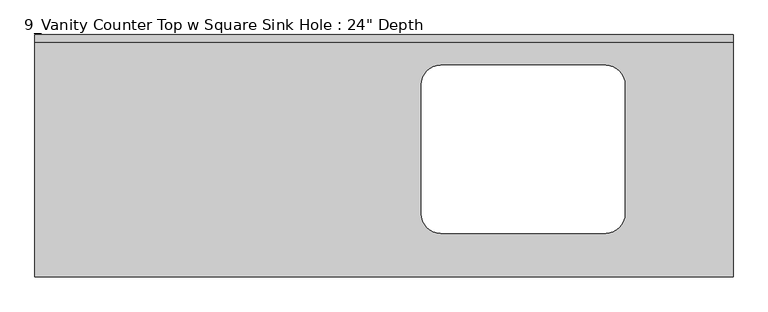
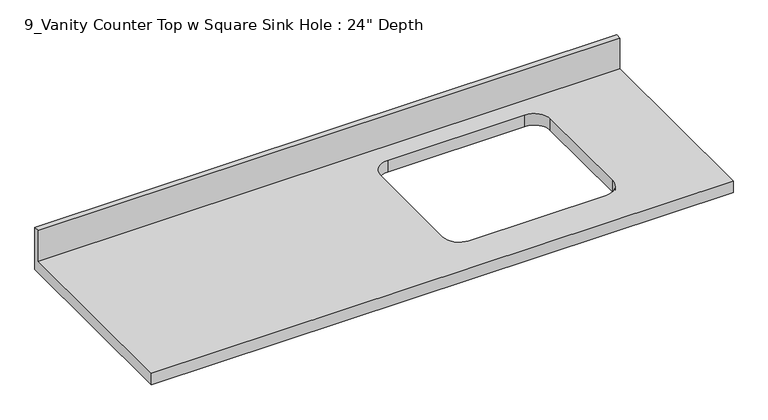
"""IFC4 building model written with IfcOpenShell, lengths in millimetres: furniture geometry."""

from ifc_helpers import new_model, si_unit, frame, origin, place, context, project, spatial, polyline, circle_curve, source, transform, mapped, element, save
from ifc_brep_helpers import plane_surface, revolved_surface, advanced_brep


def furniture_310a68b1(model_context):
    return source(origin(), model_context, "Body", "AdvancedBrep", [
        advanced_brep(
        [(-1268.7247951, -635.0, 787.4), (560.0752049, -635.0, 787.4), (560.0752049, -19.05, 787.4), (-1268.7247951, -19.05, 787.4), (-256.6935451, -130.6888371, 787.4), (-205.8935451, -79.8888371, 787.4), (225.9064549, -79.8888371, 787.4), (276.7064549, -130.6888371, 787.4), (276.7064549, -469.4888371, 787.4), (225.9064549, -520.2888371, 787.4), (-205.8935451, -520.2888371, 787.4), (-256.6935451, -469.4888371, 787.4), (560.0752049, 0.0, 749.3), (560.0752049, -635.0, 749.3), (-1268.7247951, -635.0, 749.3), (-1268.7247951, 0.0, 749.3), (-205.8935451, -79.8888371, 749.3), (-256.6935451, -130.6888371, 749.3), (-256.6935451, -469.4888371, 749.3), (-205.8935451, -520.2888371, 749.3), (225.9064549, -520.2888371, 749.3), (276.7064549, -469.4888371, 749.3), (276.7064549, -130.6888371, 749.3), (225.9064549, -79.8888371, 749.3), (-1268.7247951, 0.0, 889.0), (560.0752049, 0.0, 889.0), (-1268.7247951, -19.05, 889.0), (560.0752049, -19.05, 889.0)],
        [
            (0, 1),
            (1, 2),
            (2, 3),
            (3, 0),
            (4, 5, circle_curve(frame((-205.8935451, -130.6888371, 787.4), z_axis=(0.0, 0.0, -1.0), x_axis=(1.0, 0.0, 0.0)), 50.8)),
            (5, 6),
            (6, 7, circle_curve(frame((225.9064549, -130.6888371, 787.4), z_axis=(0.0, 0.0, -1.0), x_axis=(1.0, 0.0, 0.0)), 50.8)),
            (7, 8),
            (8, 9, circle_curve(frame((225.9064549, -469.4888371, 787.4), z_axis=(0.0, 0.0, -1.0), x_axis=(1.0, 0.0, 0.0)), 50.8)),
            (9, 10),
            (10, 11, circle_curve(frame((-205.8935451, -469.4888371, 787.4), z_axis=(0.0, 0.0, -1.0), x_axis=(1.0, 0.0, 0.0)), 50.8)),
            (11, 4),
            (12, 13),
            (13, 14),
            (14, 15),
            (15, 12),
            (16, 17, circle_curve(frame((-205.8935451, -130.6888371, 749.3), z_axis=(0.0, 0.0, 1.0), x_axis=(1.0, 0.0, 0.0)), 50.8)),
            (17, 18),
            (18, 19, circle_curve(frame((-205.8935451, -469.4888371, 749.3), z_axis=(0.0, 0.0, 1.0), x_axis=(1.0, 0.0, 0.0)), 50.8)),
            (19, 20),
            (20, 21, circle_curve(frame((225.9064549, -469.4888371, 749.3), z_axis=(0.0, 0.0, 1.0), x_axis=(1.0, 0.0, 0.0)), 50.8)),
            (21, 22),
            (22, 23, circle_curve(frame((225.9064549, -130.6888371, 749.3), z_axis=(0.0, 0.0, 1.0), x_axis=(1.0, 0.0, 0.0)), 50.8)),
            (23, 16),
            (15, 24),
            (24, 25),
            (25, 12),
            (14, 0),
            (3, 26),
            (26, 24),
            (13, 1),
            (25, 27),
            (27, 2),
            (26, 27),
            (4, 17),
            (16, 5),
            (11, 18),
            (10, 19),
            (9, 20),
            (8, 21),
            (7, 22),
            (6, 23),
        ],
        [
            plane_surface(frame((-1268.7247951, 0.0, 787.4), z_axis=(0.0, 0.0, 1.0), x_axis=(-1.0, 0.0, 0.0))),
            plane_surface(frame((-1268.7247951, 0.0, 749.3), z_axis=(0.0, 0.0, -1.0), x_axis=(1.0, 0.0, 0.0))),
            plane_surface(frame((560.0752049, 0.0, 787.4), z_axis=(0.0, 1.0, 0.0), x_axis=(0.0, 0.0, -1.0))),
            plane_surface(frame((-1268.7247951, 0.0, 787.4), z_axis=(-1.0, 0.0, 0.0), x_axis=(0.0, 0.0, -1.0))),
            plane_surface(frame((-1268.7247951, -635.0, 787.4), z_axis=(0.0, -1.0, 0.0), x_axis=(0.0, 0.0, -1.0))),
            plane_surface(frame((560.0752049, -635.0, 787.4), z_axis=(1.0, 0.0, 0.0), x_axis=(0.0, 0.0, -1.0))),
            plane_surface(frame((-1268.7247951, 0.0, 889.0), z_axis=(0.0, 0.0, 1.0), x_axis=(0.0, -1.0, 0.0))),
            plane_surface(frame((-1268.7247951, -19.05, 889.0), z_axis=(0.0, -1.0, 0.0), x_axis=(0.0, 0.0, -1.0))),
            revolved_surface(polyline([(-155.09354510000003, -130.6888371, 787.4), (-155.09354510000003, -130.6888371, 749.3)]), (-205.8935451, -130.6888371, 749.3), (0.0, 0.0, 1.0)),
            plane_surface(frame((-256.6935451, -130.6888371, 787.4), z_axis=(1.0, 0.0, 0.0), x_axis=(0.0, 0.0, -1.0))),
            revolved_surface(polyline([(-155.09354510000003, -469.4888371, 787.4), (-155.09354510000003, -469.4888371, 749.3)]), (-205.8935451, -469.4888371, 749.3), (0.0, 0.0, 1.0)),
            plane_surface(frame((-205.8935451, -520.2888371, 787.4), z_axis=(0.0, 1.0, 0.0), x_axis=(0.0, 0.0, -1.0))),
            revolved_surface(polyline([(276.7064549, -469.4888371, 787.4), (276.7064549, -469.4888371, 749.3)]), (225.9064549, -469.4888371, 749.3), (0.0, 0.0, 1.0)),
            plane_surface(frame((276.7064549, -469.4888371, 787.4), z_axis=(-1.0, 0.0, 0.0), x_axis=(0.0, 0.0, -1.0))),
            revolved_surface(polyline([(276.7064549, -130.6888371, 787.4), (276.7064549, -130.6888371, 749.3)]), (225.9064549, -130.6888371, 749.3), (0.0, 0.0, 1.0)),
            plane_surface(frame((225.9064549, -79.8888371, 787.4), z_axis=(0.0, -1.0, 0.0), x_axis=(0.0, 0.0, -1.0))),
        ],
        [
            (0, [[1, 2, 3, 4], [5, 6, 7, 8, 9, 10, 11, 12]]),
            (1, [[13, 14, 15, 16], [17, 18, 19, 20, 21, 22, 23, 24]]),
            (2, [[-16, 25, 26, 27]]),
            (3, [[-15, 28, -4, 29, 30, -25]]),
            (4, [[-1, -28, -14, 31]]),
            (5, [[-13, -27, 32, 33, -2, -31]]),
            (6, [[-30, 34, -32, -26]]),
            (7, [[-34, -29, -3, -33]]),
            (8, [[35, -17, 36, -5]]),
            (9, [[-35, -12, 37, -18]]),
            (10, [[-37, -11, 38, -19]]),
            (11, [[-38, -10, 39, -20]]),
            (12, [[-39, -9, 40, -21]]),
            (13, [[-40, -8, 41, -22]]),
            (14, [[-41, -7, 42, -23]]),
            (15, [[-36, -24, -42, -6]]),
        ],
    ),
    ])


if __name__ == "__main__":
    model = new_model("IFC4")
    model_context = context("Model", 3, world=origin())
    ifc_project = project(units=[si_unit("LENGTHUNIT", "METRE", prefix="MILLI")], contexts=[model_context])
    site = spatial("IfcSite", under=ifc_project)
    building = spatial("IfcBuilding", under=site)
    placement = place(None, origin())
    furniture_shape = furniture_310a68b1(model_context)
    element("IfcFurniture", 1, ObjectType="9_Vanity Counter Top w Square Sink Hole : 24\" Depth", at=placement, inside=building, context=model_context, shape_type="MappedRepresentation", body=[
        mapped(furniture_shape, transform((0.0, 0.0, 0.0), x_axis=(1.0, 0.0, 0.0), y_axis=(0.0, 1.0, 0.0), z_axis=(0.0, 0.0, 1.0))),
    ])
    save(model, "model.ifc")
